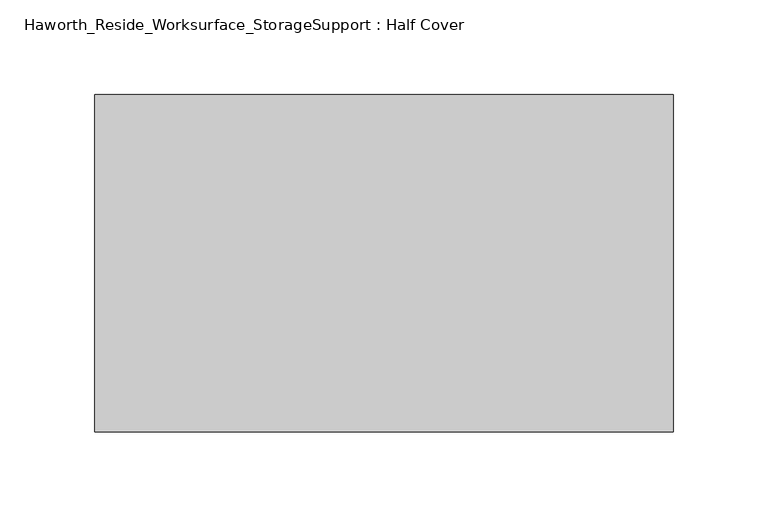
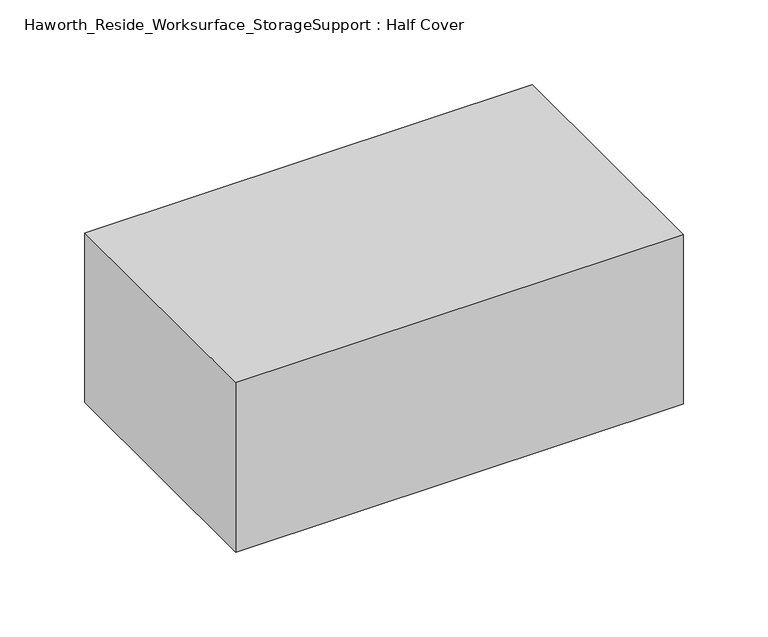
"""IFC4 building model written with IfcOpenShell, lengths in millimetres: furniture geometry, Haworth_Reside_Worksurface_StorageSupport : Half Cover."""

from ifc_helpers import new_model, si_unit, frame, origin, place, context, project, spatial, polyline, outline, extrude, source, transform, mapped, element, save


def haworth_reside_worksurface_storagesupport_half_cover_f70fbd63(model_context):
    return source(origin(), model_context, "Body", "SweptSolid", [
        extrude(outline(polyline([(454.025, 197.0645843), (454.025, 19.2645843), (149.225, 19.2645843), (149.225, 197.0645843), (454.025, 197.0645843)])), frame((0.0, 0.0, 584.2), z_axis=(0.0, 0.0, 1.0), x_axis=(1.0, 0.0, 0.0)), (0.0, 0.0, 1.0), 122.2375),
    ])


if __name__ == "__main__":
    model = new_model("IFC4")
    model_context = context("Model", 3, world=origin())
    ifc_project = project(units=[si_unit("LENGTHUNIT", "METRE", prefix="MILLI")], contexts=[model_context])
    site = spatial("IfcSite", under=ifc_project)
    building = spatial("IfcBuilding", under=site)
    placement = place(None, origin())
    haworth_reside_worksurface_storagesupport_half_cover_shape = haworth_reside_worksurface_storagesupport_half_cover_f70fbd63(model_context)
    element("IfcFurniture", 1, ObjectType="Haworth_Reside_Worksurface_StorageSupport : Half Cover", at=placement, inside=building, context=model_context, shape_type="MappedRepresentation", body=[
        mapped(haworth_reside_worksurface_storagesupport_half_cover_shape, transform((0.0, 0.0, 0.0), x_axis=(1.0, 0.0, 0.0), y_axis=(0.0, 1.0, 0.0), z_axis=(0.0, 0.0, 1.0))),
    ])
    save(model, "model.ifc")
